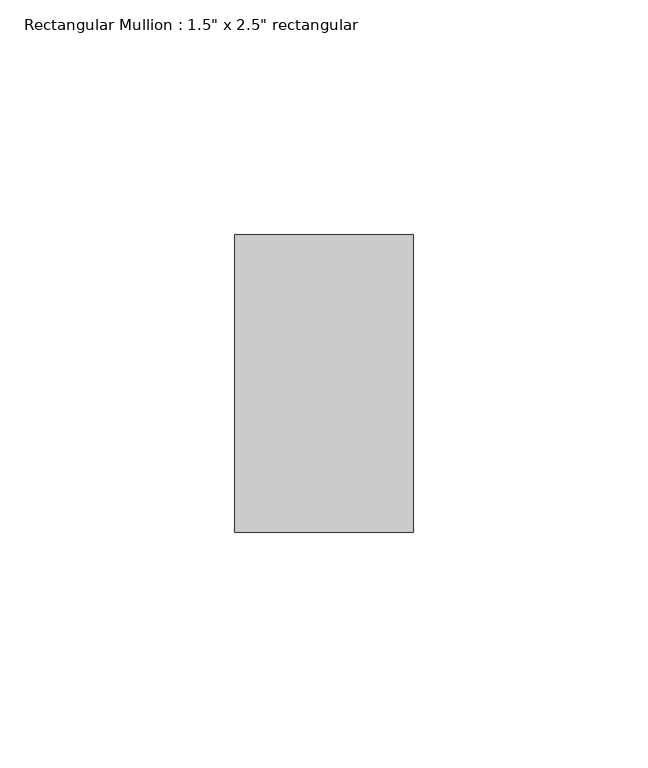
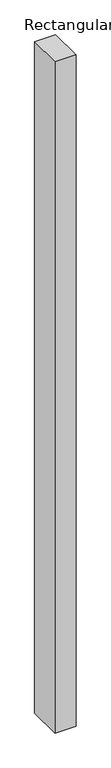
"""IFC4 building model written with IfcOpenShell, lengths in millimetres: member geometry."""

from ifc_helpers import new_model, si_unit, frame, origin, place, context, project, spatial, polyline, outline, extrude, source, transform, mapped, element, save


def member_60c8283c(model_context):
    return source(origin(), model_context, "Body", "SweptSolid", [
        extrude(outline(polyline([(19.05, -19.05), (19.05, -82.55), (-19.05, -82.55), (-19.05, -19.05), (19.05, -19.05)])), frame((0.0, 0.0, -1286.4680248), z_axis=(0.0, 0.0, 1.0), x_axis=(1.0, 0.0, 0.0)), (0.0, 0.0, 1.0), 1286.4680248),
    ])


if __name__ == "__main__":
    model = new_model("IFC4")
    model_context = context("Model", 3, world=origin())
    ifc_project = project(units=[si_unit("LENGTHUNIT", "METRE", prefix="MILLI")], contexts=[model_context])
    site = spatial("IfcSite", under=ifc_project)
    building = spatial("IfcBuilding", under=site)
    placement = place(None, origin())
    member_shape = member_60c8283c(model_context)
    element("IfcMember", 1, ObjectType="Rectangular Mullion : 1.5\" x 2.5\" rectangular", at=placement, inside=building, context=model_context, shape_type="MappedRepresentation", body=[
        mapped(member_shape, transform((0.0, 0.0, 0.0), x_axis=(1.0, 0.0, 0.0), y_axis=(0.0, 1.0, 0.0), z_axis=(0.0, 0.0, 1.0))),
    ])
    save(model, "model.ifc")
